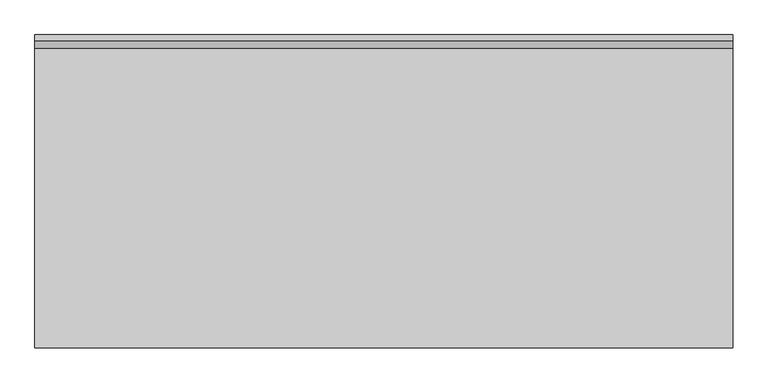
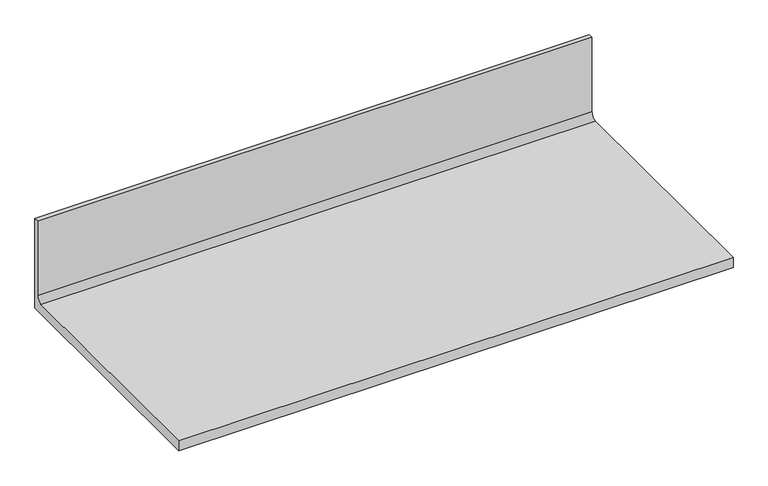
"""IFC4 building model written with IfcOpenShell, lengths in millimetres: furniture geometry."""

from ifc_helpers import new_model, si_unit, point, frame, frame_2d, origin, place, context, project, spatial, polyline, circle_curve, trimmed, segment, composite_curve, outline, extrude, source, transform, mapped, element, save


def furniture_b79a6597(model_context):
    return source(origin(), model_context, "Body", "SweptSolid", [
        extrude(outline(composite_curve([segment(polyline([(0.0, 679.45), (-615.95, 679.45), (-615.95, 704.85), (-25.8191, 704.85)]), True, "CONTINUOUS"), segment(trimmed(circle_curve(frame_2d((-25.8191, 719.5566)), 14.7066), [point((-25.8191, 704.85))], [point((-11.1125, 719.5566))], True, "CARTESIAN"), True, "CONTINUOUS"), segment(polyline([(-11.1125, 719.5566), (-11.1125, 914.4), (0.0, 914.4), (0.0, 679.45)]), True, "CONTINUOUS")], self_intersect=False)), frame((0.0, 0.0, 0.0), z_axis=(1.0, 0.0, 0.0), x_axis=(0.0, 1.0, 0.0)), (0.0, 0.0, 1.0), 1371.6),
    ])


if __name__ == "__main__":
    model = new_model("IFC4")
    model_context = context("Model", 3, world=origin())
    ifc_project = project(units=[si_unit("LENGTHUNIT", "METRE", prefix="MILLI")], contexts=[model_context])
    site = spatial("IfcSite", under=ifc_project)
    building = spatial("IfcBuilding", under=site)
    placement = place(None, origin())
    furniture_shape = furniture_b79a6597(model_context)
    element("IfcFurniture", 1, at=placement, inside=building, context=model_context, shape_type="MappedRepresentation", body=[
        mapped(furniture_shape, transform((0.0, 0.0, 0.0), x_axis=(1.0, 0.0, 0.0), y_axis=(0.0, 1.0, 0.0), z_axis=(0.0, 0.0, 1.0))),
    ])
    save(model, "model.ifc")
